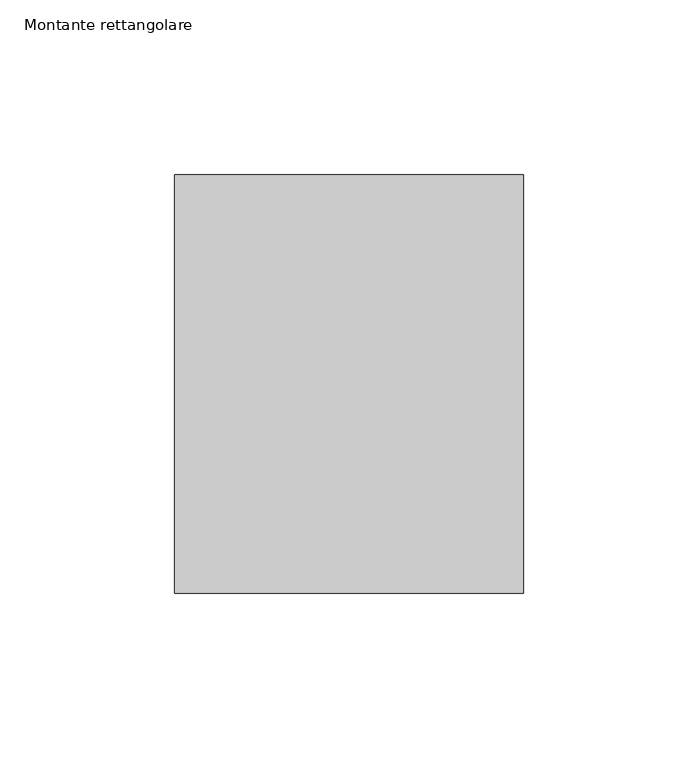
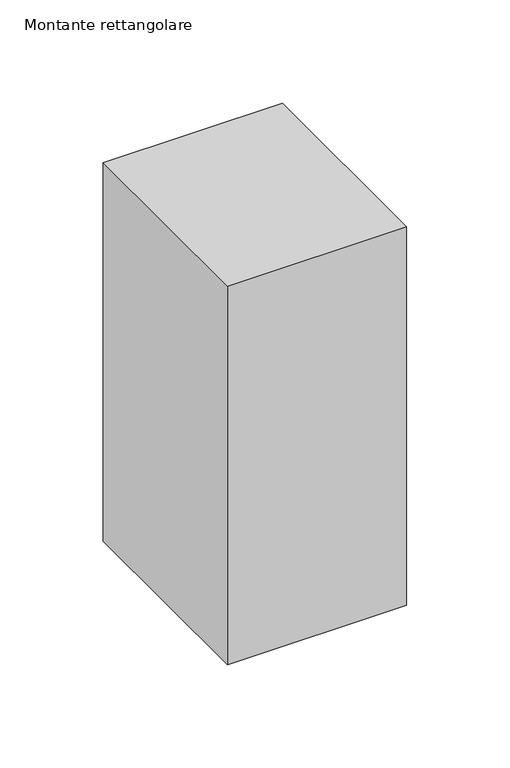
"""IFC4 building model written with IfcOpenShell, lengths in millimetres: member geometry, Montante rettangolare."""

from ifc_helpers import new_model, si_unit, frame, origin, place, context, project, spatial, polyline, outline, extrude, source, transform, mapped, element, save


def montante_rettangolare_775685ef(model_context):
    return source(origin(), model_context, "Body", "SweptSolid", [
        extrude(outline(polyline([(50.0, 60.0), (50.0, -60.0), (-50.0, -60.0), (-50.0, 60.0), (50.0, 60.0)])), frame((0.0, 0.0, -223.4076571), z_axis=(0.0, 0.0, 1.0), x_axis=(1.0, 0.0, 0.0)), (0.0, 0.0, 1.0), 223.4076571),
    ])


if __name__ == "__main__":
    model = new_model("IFC4")
    model_context = context("Model", 3, world=origin())
    ifc_project = project(units=[si_unit("LENGTHUNIT", "METRE", prefix="MILLI")], contexts=[model_context])
    site = spatial("IfcSite", under=ifc_project)
    building = spatial("IfcBuilding", under=site)
    placement = place(None, origin())
    montante_rettangolare_shape = montante_rettangolare_775685ef(model_context)
    element("IfcMember", 1, ObjectType="Montante rettangolare", at=placement, inside=building, context=model_context, shape_type="MappedRepresentation", body=[
        mapped(montante_rettangolare_shape, transform((0.0, 0.0, 0.0), x_axis=(1.0, 0.0, 0.0), y_axis=(0.0, 1.0, 0.0), z_axis=(0.0, 0.0, 1.0))),
    ])
    save(model, "model.ifc")
